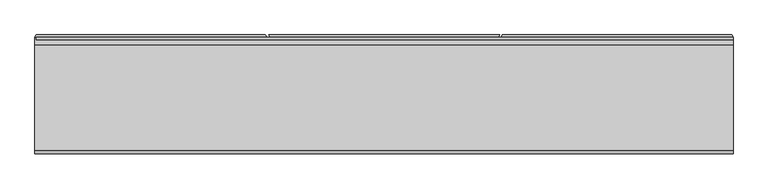
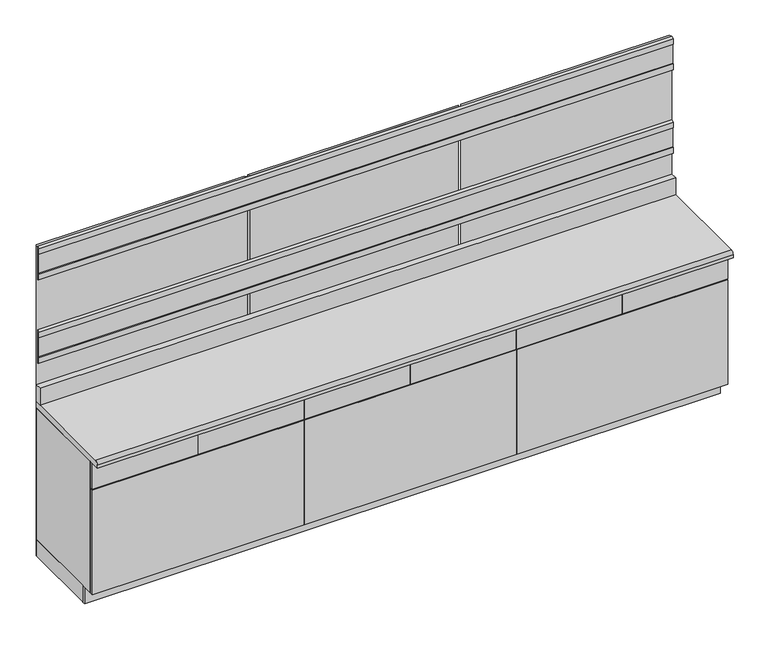
"""IFC4 building model written with IfcOpenShell, lengths in millimetres: proxy geometry."""

from ifc_helpers import new_model, si_unit, point, frame, frame_2d, origin, origin_with_axes, place, context, project, spatial, polyline, circle_curve, trimmed, segment, composite_curve, outline, extrude, source, transform, mapped, element, save


def specialty_equipment_592bcb0c(model_context):
    return source(origin(), model_context, "Body", "SweptSolid", [
        extrude(outline(polyline([(954.9706369, -526.3774343), (345.3706369, -526.3774343), (345.3706369, -507.3274343), (954.9706369, -507.3274343), (954.9706369, -526.3774343)])), frame((0.0, 0.0, 743.2477551), z_axis=(0.0, 0.0, 1.0), x_axis=(1.0, 0.0, 0.0)), (0.0, 0.0, 1.0), 158.75),
        extrude(outline(polyline([(2174.1706369, -526.3774343), (1564.5706369, -526.3774343), (1564.5706369, -507.3274343), (2174.1706369, -507.3274343), (2174.1706369, -526.3774343)])), frame((0.0, 0.0, 743.2477551), z_axis=(0.0, 0.0, 1.0), x_axis=(1.0, 0.0, 0.0)), (0.0, 0.0, 1.0), 158.75),
        extrude(outline(polyline([(2174.2049767, -526.3774343), (958.306625, -526.3774343), (958.306625, -507.3274343), (2174.2049767, -507.3274343), (2174.2049767, -526.3774343)])), frame((0.0, 0.0, 101.6), z_axis=(0.0, 0.0, 1.0), x_axis=(1.0, 0.0, 0.0)), (0.0, 0.0, 1.0), 635.2977551),
        extrude(outline(polyline([(1564.5706369, -526.3774343), (954.9706369, -526.3774343), (954.9706369, -507.3274343), (1564.5706369, -507.3274343), (1564.5706369, -526.3774343)])), frame((0.0, 0.0, 743.2477551), z_axis=(0.0, 0.0, 1.0), x_axis=(1.0, 0.0, 0.0)), (0.0, 0.0, 1.0), 158.75),
        extrude(outline(polyline([(345.3706369, -526.3774343), (-264.2293631, -526.3774343), (-264.2293631, -507.3274343), (345.3706369, -507.3274343), (345.3706369, -526.3774343)])), frame((0.0, 0.0, 743.2477551), z_axis=(0.0, 0.0, 1.0), x_axis=(1.0, 0.0, 0.0)), (0.0, 0.0, 1.0), 158.75),
        extrude(outline(polyline([(958.306625, -526.3774343), (-264.2293631, -526.3774343), (-264.2293631, -507.3274343), (958.306625, -507.3274343), (958.306625, -526.3774343)])), frame((0.0, 0.0, 101.6), z_axis=(0.0, 0.0, 1.0), x_axis=(1.0, 0.0, 0.0)), (0.0, 0.0, 1.0), 635.2977551),
        extrude(outline(polyline([(-1483.8555902, -5.6774343), (-1483.8555902, 32.4225657), (2174.3837504, 32.4225657), (2174.3837504, -5.6774343), (-1483.8555902, -5.6774343)])), frame((0.0, 0.0, 940.0977551), z_axis=(0.0, 0.0, 1.0), x_axis=(1.0, 0.0, 0.0)), (0.0, 0.0, 1.0), 101.6),
        extrude(outline(composite_curve([segment(polyline([(-558.1274343, 940.0977551), (32.4225657, 940.0977551), (32.4225657, 901.9977551), (-577.1774343, 901.9977551), (-577.1774343, 921.0477551)]), True, "CONTINUOUS"), segment(trimmed(circle_curve(frame_2d((-558.1274343, 921.0477551)), 19.05), [point((-577.1774343, 921.0477551))], [point((-558.1274343, 940.0977551))], False, "CARTESIAN"), True, "CONTINUOUS")], self_intersect=False)), frame((-1483.8555902, 0.0, 0.0), z_axis=(1.0, 0.0, 0.0), x_axis=(0.0, 1.0, 0.0)), (0.0, 0.0, 1.0), 3658.2393406),
        extrude(outline(polyline([(-264.4424767, -526.3774343), (-874.0424767, -526.3774343), (-874.0424767, -507.3274343), (-264.4424767, -507.3274343), (-264.4424767, -526.3774343)])), frame((0.0, 0.0, 743.2477551), z_axis=(0.0, 0.0, 1.0), x_axis=(1.0, 0.0, 0.0)), (0.0, 0.0, 1.0), 158.75),
        extrude(outline(polyline([(-874.0424767, -526.3774343), (-1483.6424767, -526.3774343), (-1483.6424767, -507.3274343), (-874.0424767, -507.3274343), (-874.0424767, -526.3774343)])), frame((0.0, 0.0, 743.2477551), z_axis=(0.0, 0.0, 1.0), x_axis=(1.0, 0.0, 0.0)), (0.0, 0.0, 1.0), 158.75),
        extrude(outline(polyline([(-264.4424767, -526.3774343), (-1483.6424767, -526.3774343), (-1483.6424767, -507.3274343), (-264.4424767, -507.3274343), (-264.4424767, -526.3774343)])), frame((0.0, 0.0, 101.6), z_axis=(0.0, 0.0, 1.0), x_axis=(1.0, 0.0, 0.0)), (0.0, 0.0, 1.0), 635.2977551),
        extrude(outline(polyline([(32.4222733, 1372.6915051), (32.4222733, 1169.4915051), (19.7222733, 1176.8238535), (19.7222733, 1211.5208988), (26.0722733, 1211.5208988), (26.0722733, 1330.6621114), (19.7222733, 1330.6621114), (19.7222733, 1365.3591567), (32.4222733, 1372.6915051)])), frame((-1476.1671782, 0.0, 0.0), z_axis=(1.0, 0.0, 0.0), x_axis=(0.0, 1.0, 0.0)), (0.0, 0.0, 1.0), 3650.3721548),
        extrude(outline(polyline([(32.4225657, 1880.6915051), (32.4225657, 1677.4915051), (19.7225657, 1684.8238535), (19.7225657, 1719.5208988), (26.0725657, 1719.5208988), (26.0725657, 1838.6621114), (19.7225657, 1838.6621114), (19.7225657, 1873.3591567), (32.4225657, 1880.6915051)])), frame((-1476.1671782, 0.0, 0.0), z_axis=(1.0, 0.0, 0.0), x_axis=(0.0, 1.0, 0.0)), (0.0, 0.0, 1.0), 3650.3721548),
        extrude(outline(polyline([(-251.5507795, 32.4225657), (-259.1781837, 45.1225657), (951.3575688, 45.1225657), (943.7301646, 32.4225657), (-251.5507795, 32.4225657)])), frame((0.0, 0.0, 1.0915051), z_axis=(0.0, 0.0, 1.0), x_axis=(1.0, 0.0, 0.0)), (0.0, 0.0, 1.0), 1879.6),
        extrude(outline(polyline([(965.9340292, 45.1225657), (2166.7296782, 45.1225657), (2174.2049767, 32.4225657), (958.306625, 32.4225657), (965.9340292, 45.1225657)])), frame((0.0, 0.0, 1.0915051), z_axis=(0.0, 0.0, 1.0), x_axis=(1.0, 0.0, 0.0)), (0.0, 0.0, 1.0), 1879.6),
        extrude(outline(polyline([(-277.8217742, 45.1225657), (-270.19437, 32.4225657), (-1483.6424767, 32.4225657), (-1476.1671782, 45.1225657), (-277.8217742, 45.1225657)])), frame((0.0, 0.0, 1.0915051), z_axis=(0.0, 0.0, 1.0), x_axis=(1.0, 0.0, 0.0)), (0.0, 0.0, 1.0), 1879.6),
        extrude(outline(polyline([(2154.9075232, -431.1274343), (2154.9075232, 32.3952757), (2173.9575232, 32.3952757), (2173.9575232, -431.1274343), (2154.9075232, -431.1274343)])), frame((0.0, 0.0, 1.0915051), z_axis=(0.0, 0.0, 1.0), x_axis=(1.0, 0.0, 0.0)), (0.0, 0.0, 1.0), 100.5084949),
        extrude(outline(polyline([(-1483.6424767, -431.1274343), (-1483.6424767, 32.4225657), (-1464.5924767, 32.4225657), (-1464.5924767, -431.1274343), (-1483.6424767, -431.1274343)])), frame((0.0, 0.0, 1.0915051), z_axis=(0.0, 0.0, 1.0), x_axis=(1.0, 0.0, 0.0)), (0.0, 0.0, 1.0), 100.5084949),
        extrude(outline(polyline([(1564.5706369, -507.3274343), (1564.5706369, 13.3725657), (1583.6206369, 13.3725657), (1583.6206369, -507.3274343), (1564.5706369, -507.3274343)])), frame((0.0, 0.0, 743.2477551), z_axis=(0.0, 0.0, 1.0), x_axis=(1.0, 0.0, 0.0)), (0.0, 0.0, 1.0), 158.75),
        extrude(outline(polyline([(954.9706369, -507.3274343), (954.9706369, 32.4225657), (974.0206369, 32.4225657), (974.0206369, -507.3274343), (954.9706369, -507.3274343)])), frame((0.0, 0.0, 101.6), z_axis=(0.0, 0.0, 1.0), x_axis=(1.0, 0.0, 0.0)), (0.0, 0.0, 1.0), 635.2977551),
        extrude(outline(polyline([(2155.1206369, -507.3274343), (2155.1206369, 32.4225657), (2174.1706369, 32.4225657), (2174.1706369, -507.3274343), (2155.1206369, -507.3274343)])), frame((0.0, 0.0, 101.6), z_axis=(0.0, 0.0, 1.0), x_axis=(1.0, 0.0, 0.0)), (0.0, 0.0, 1.0), 800.3977551),
        extrude(outline(polyline([(1545.5206369, -507.3274343), (1545.5206369, -437.4774343), (1564.5706369, -437.4774343), (1564.5706369, -507.3274343), (1545.5206369, -507.3274343)])), frame((0.0, 0.0, 743.2477551), z_axis=(0.0, 0.0, 1.0), x_axis=(1.0, 0.0, 0.0)), (0.0, 0.0, 1.0), 158.75),
        extrude(outline(polyline([(954.9706369, -507.3274343), (954.9706369, 32.4225657), (974.0206369, 32.4225657), (974.0206369, -507.3274343), (954.9706369, -507.3274343)])), frame((0.0, 0.0, 743.2477551), z_axis=(0.0, 0.0, 1.0), x_axis=(1.0, 0.0, 0.0)), (0.0, 0.0, 1.0), 158.75),
        extrude(outline(polyline([(2139.406625, 13.3725657), (2139.406625, -507.3274343), (958.306625, -507.3274343), (958.306625, 13.3725657), (2139.406625, 13.3725657)])), frame((0.0, 0.0, 101.6), z_axis=(0.0, 0.0, 1.0), x_axis=(1.0, 0.0, 0.0)), (0.0, 0.0, 1.0), 19.1166954),
        extrude(outline(polyline([(2155.1206369, 13.3725657), (974.0206369, 13.3725657), (974.0206369, 32.4225657), (2155.1206369, 32.4225657), (2155.1206369, 13.3725657)])), frame((0.0, 0.0, 1.0915051), z_axis=(0.0, 0.0, 1.0), x_axis=(1.0, 0.0, 0.0)), (0.0, 0.0, 1.0), 900.90625),
        extrude(outline(polyline([(935.9206369, -507.3274343), (935.9206369, 32.4225657), (954.9706369, 32.4225657), (954.9706369, -507.3274343), (935.9206369, -507.3274343)])), frame((0.0, 0.0, 743.2477551), z_axis=(0.0, 0.0, 1.0), x_axis=(1.0, 0.0, 0.0)), (0.0, 0.0, 1.0), 158.75),
        extrude(outline(polyline([(345.3706369, -507.3274343), (345.3706369, 13.3725657), (364.4206369, 13.3725657), (364.4206369, -507.3274343), (345.3706369, -507.3274343)])), frame((0.0, 0.0, 743.2477551), z_axis=(0.0, 0.0, 1.0), x_axis=(1.0, 0.0, 0.0)), (0.0, 0.0, 1.0), 158.75),
        extrude(outline(polyline([(-264.2293631, -507.3274343), (-264.2293631, 32.4225657), (-245.1793631, 32.4225657), (-245.1793631, -507.3274343), (-264.2293631, -507.3274343)])), frame((0.0, 0.0, 101.6), z_axis=(0.0, 0.0, 1.0), x_axis=(1.0, 0.0, 0.0)), (0.0, 0.0, 1.0), 635.2977551),
        extrude(outline(polyline([(935.9206369, -507.3274343), (935.9206369, 32.4225657), (954.9706369, 32.4225657), (954.9706369, -507.3274343), (935.9206369, -507.3274343)])), frame((0.0, 0.0, 101.6), z_axis=(0.0, 0.0, 1.0), x_axis=(1.0, 0.0, 0.0)), (0.0, 0.0, 1.0), 635.2977551),
        extrude(outline(polyline([(326.3206369, -507.3274343), (326.3206369, -437.4774343), (345.3706369, -437.4774343), (345.3706369, -507.3274343), (326.3206369, -507.3274343)])), frame((0.0, 0.0, 743.2477551), z_axis=(0.0, 0.0, 1.0), x_axis=(1.0, 0.0, 0.0)), (0.0, 0.0, 1.0), 158.75),
        extrude(outline(polyline([(-264.2293631, -507.3274343), (-264.2293631, 32.4225657), (-245.1793631, 32.4225657), (-245.1793631, -507.3274343), (-264.2293631, -507.3274343)])), frame((0.0, 0.0, 743.2477551), z_axis=(0.0, 0.0, 1.0), x_axis=(1.0, 0.0, 0.0)), (0.0, 0.0, 1.0), 158.75),
        extrude(outline(polyline([(951.3575688, 13.3725657), (951.3575688, -507.3274343), (-245.1793631, -507.3274343), (-245.1793631, 13.3725657), (951.3575688, 13.3725657)])), frame((0.0, 0.0, 101.6), z_axis=(0.0, 0.0, 1.0), x_axis=(1.0, 0.0, 0.0)), (0.0, 0.0, 1.0), 19.1166954),
        extrude(outline(polyline([(958.306625, 13.3725657), (-245.1793631, 13.3725657), (-245.1793631, 32.4225657), (958.306625, 32.4225657), (958.306625, 13.3725657)])), frame((0.0, 0.0, 1.0915051), z_axis=(0.0, 0.0, 1.0), x_axis=(1.0, 0.0, 0.0)), (0.0, 0.0, 1.0), 900.90625),
        extrude(outline(polyline([(-283.4924767, -507.3274343), (-283.4924767, 32.4225657), (-264.4424767, 32.4225657), (-264.4424767, -507.3274343), (-283.4924767, -507.3274343)])), frame((0.0, 0.0, 743.2477551), z_axis=(0.0, 0.0, 1.0), x_axis=(1.0, 0.0, 0.0)), (0.0, 0.0, 1.0), 158.75),
        extrude(outline(polyline([(-874.0424767, -507.3274343), (-874.0424767, 13.3725657), (-854.9924767, 13.3725657), (-854.9924767, -507.3274343), (-874.0424767, -507.3274343)])), frame((0.0, 0.0, 743.2477551), z_axis=(0.0, 0.0, 1.0), x_axis=(1.0, 0.0, 0.0)), (0.0, 0.0, 1.0), 158.75),
        extrude(outline(polyline([(-1483.6424767, -507.3274343), (-1483.6424767, 32.4225657), (-1464.5924767, 32.4225657), (-1464.5924767, -507.3274343), (-1483.6424767, -507.3274343)])), frame((0.0, 0.0, 101.6), z_axis=(0.0, 0.0, 1.0), x_axis=(1.0, 0.0, 0.0)), (0.0, 0.0, 1.0), 800.3977551),
        extrude(outline(polyline([(-283.4924767, -507.3274343), (-283.4924767, 32.4225657), (-264.4424767, 32.4225657), (-264.4424767, -507.3274343), (-283.4924767, -507.3274343)])), frame((0.0, 0.0, 101.6), z_axis=(0.0, 0.0, 1.0), x_axis=(1.0, 0.0, 0.0)), (0.0, 0.0, 1.0), 635.2977551),
        extrude(outline(polyline([(-893.0924767, -507.3274343), (-893.0924767, -437.4774343), (-874.0424767, -437.4774343), (-874.0424767, -507.3274343), (-893.0924767, -507.3274343)])), frame((0.0, 0.0, 743.2477551), z_axis=(0.0, 0.0, 1.0), x_axis=(1.0, 0.0, 0.0)), (0.0, 0.0, 1.0), 158.75),
        extrude(outline(polyline([(2174.2049767, -450.1774343), (-1483.3853552, -450.1774343), (-1483.3853552, -431.1274343), (2174.2049767, -431.1274343), (2174.2049767, -450.1774343)])), origin_with_axes(), (0.0, 0.0, 1.0), 101.6),
        extrude(outline(polyline([(-283.4924767, 13.3725657), (-283.4924767, -507.3274343), (-1464.5924767, -507.3274343), (-1464.5924767, 13.3725657), (-283.4924767, 13.3725657)])), frame((0.0, 0.0, 101.6), z_axis=(0.0, 0.0, 1.0), x_axis=(1.0, 0.0, 0.0)), (0.0, 0.0, 1.0), 19.1166954),
        extrude(outline(polyline([(-283.4924767, 13.3725657), (-1464.5924767, 13.3725657), (-1464.5924767, 32.4225657), (-283.4924767, 32.4225657), (-283.4924767, 13.3725657)])), frame((0.0, 0.0, 1.0915051), z_axis=(0.0, 0.0, 1.0), x_axis=(1.0, 0.0, 0.0)), (0.0, 0.0, 1.0), 900.90625),
    ])


if __name__ == "__main__":
    model = new_model("IFC4")
    model_context = context("Model", 3, world=origin())
    ifc_project = project(units=[si_unit("LENGTHUNIT", "METRE", prefix="MILLI")], contexts=[model_context])
    site = spatial("IfcSite", under=ifc_project)
    building = spatial("IfcBuilding", under=site)
    placement = place(None, origin())
    specialty_equipment_shape = specialty_equipment_592bcb0c(model_context)
    element("IfcBuildingElementProxy", 1, Name="Specialty Equipment", at=placement, inside=building, context=model_context, shape_type="MappedRepresentation", body=[
        mapped(specialty_equipment_shape, transform((0.0, 0.0, 0.0), x_axis=(1.0, 0.0, 0.0), y_axis=(0.0, 1.0, 0.0), z_axis=(0.0, 0.0, 1.0))),
    ])
    save(model, "model.ifc")
